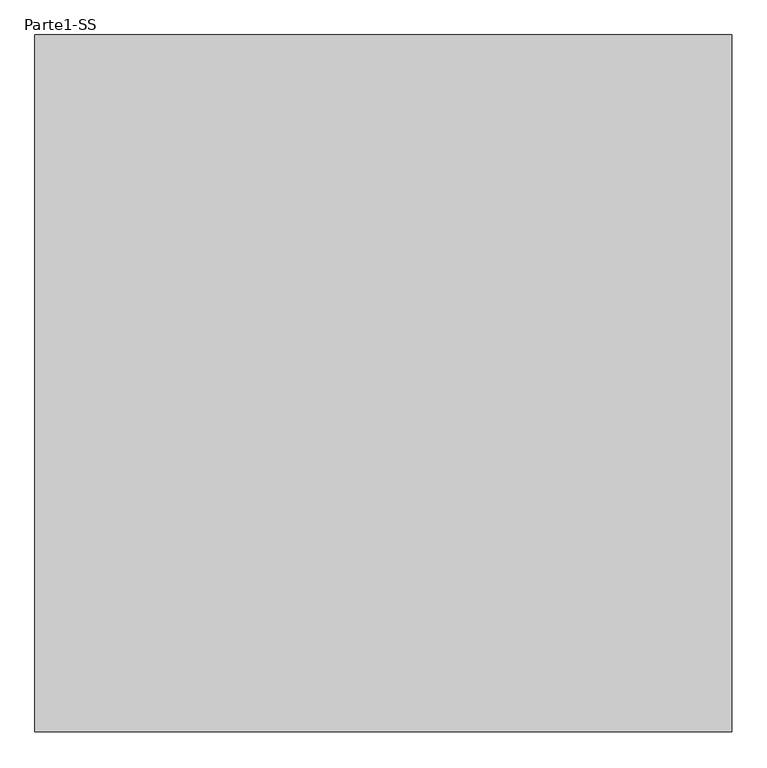
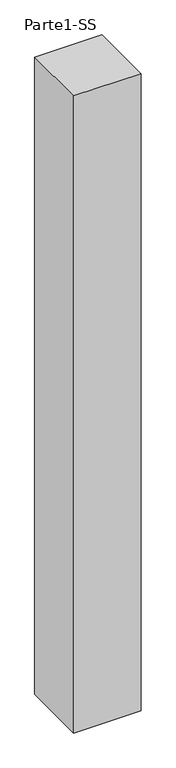
"""IFC4 building model written with IfcOpenShell, lengths in millimetres: proxy geometry, Parte1-SS."""

from ifc_helpers import new_model, si_unit, frame, origin, place, context, project, spatial, polyline, outline, extrude, source, transform, mapped, element, save


def parte1_ss_7b2578bf(model_context):
    return source(origin(), model_context, "Body", "SweptSolid", [
        extrude(outline(polyline([(4000.0, 4000.0), (4000.0, 0.0), (0.0, 0.0), (0.0, 4000.0), (4000.0, 4000.0)])), frame((0.0, 0.0, 25000.0), z_axis=(0.0, 0.0, 1.0), x_axis=(1.0, 0.0, 0.0)), (0.0, 0.0, 1.0), 40000.0),
    ])


if __name__ == "__main__":
    model = new_model("IFC4")
    model_context = context("Model", 3, world=origin())
    ifc_project = project(units=[si_unit("LENGTHUNIT", "METRE", prefix="MILLI")], contexts=[model_context])
    site = spatial("IfcSite", under=ifc_project)
    building = spatial("IfcBuilding", under=site)
    placement = place(None, origin())
    parte1_ss_shape = parte1_ss_7b2578bf(model_context)
    element("IfcBuildingElementProxy", 1, Name="Parte1-SS", ObjectType="Parte1-SS", at=placement, inside=building, context=model_context, shape_type="MappedRepresentation", body=[
        mapped(parte1_ss_shape, transform((0.0, 0.0, 0.0), x_axis=(1.0, 0.0, 0.0), y_axis=(0.0, 1.0, 0.0), z_axis=(0.0, 0.0, 1.0))),
    ])
    save(model, "model.ifc")
